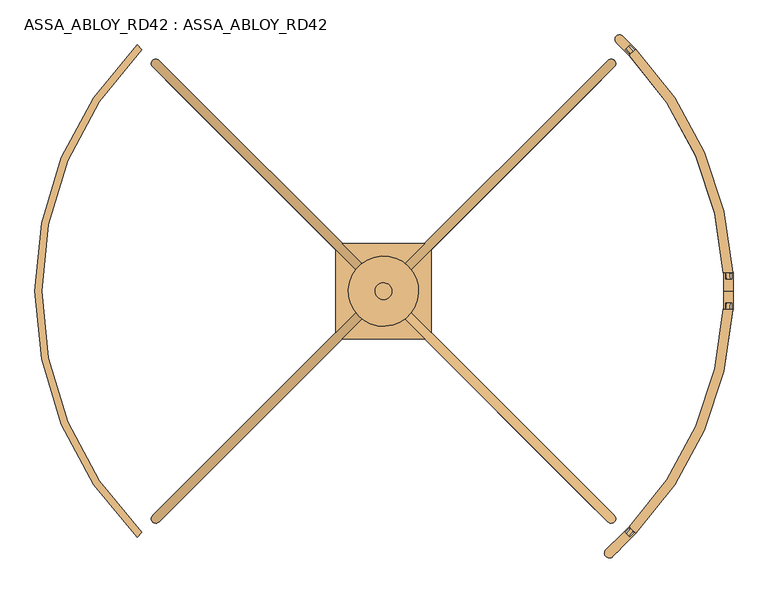
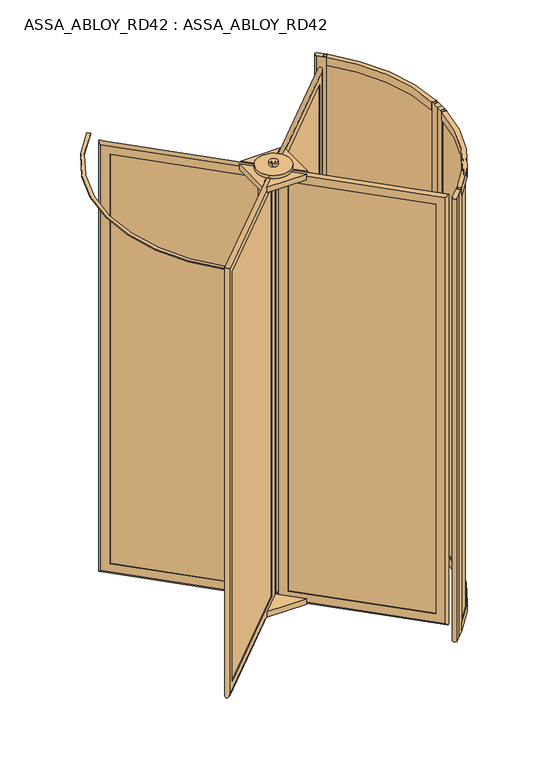
"""IFC4 building model written with IfcOpenShell, lengths in millimetres: door geometry, ASSA_ABLOY_RD42 : ASSA_ABLOY_RD42."""

from ifc_helpers import new_model, si_unit, point, frame, frame_2d, origin, origin_with_axes, place, context, project, spatial, polyline, circle_curve, ellipse_curve, trimmed, segment, composite_curve, outline, extrude, source, transform, mapped, element, save
from ifc_brep_helpers import plane_surface, cylinder_surface, revolved_surface, advanced_brep


def assa_abloy_rd42_assa_abloy_rd42_f73ff446(model_context):
    return source(origin(), model_context, "Body", "SolidModel", [
        advanced_brep(
        [(730.2834047, -619.4255403, 105.0), (728.1620844, -621.5468607, 105.0), (728.1620844, -621.5468607, 2673.0), (730.2834047, -619.4255403, 2673.0), (758.5676759, -619.4255403, 85.0), (744.4255403, -633.5676759, 85.0), (744.4255403, -633.5676759, 2693.0), (758.5676759, -619.4255403, 2693.0), (746.5468607, -603.1620844, 105.0), (744.4255403, -605.2834047, 105.0), (744.4255403, -605.2834047, 2673.0), (746.5468607, -603.1620844, 2673.0), (764.931637, -658.3164133, 53.0), (783.3164133, -639.931637, 53.0), (783.3164133, -639.931637, 2725.0), (764.931637, -658.3164133, 2725.0), (173.0832611, -66.4680374, 2673.0), (175.2045815, -64.3467171, 2673.0), (161.0624458, -50.2045815, 2693.0), (175.2045815, -36.0624458, 2693.0), (189.3467171, -50.2045815, 2673.0), (191.4680374, -48.0832611, 2673.0), (154.6984848, -11.3137085, 2725.0), (136.3137085, -29.6984848, 2725.0), (173.0832611, -66.4680374, 105.0), (175.2045815, -64.3467171, 105.0), (161.0624458, -50.2045815, 85.0), (175.2045815, -36.0624458, 85.0), (189.3467171, -50.2045815, 105.0), (191.4680374, -48.0832611, 105.0), (154.6984848, -11.3137085, 53.0), (136.3137085, -29.6984848, 53.0)],
        [
            (0, 1),
            (1, 2),
            (2, 3),
            (3, 0),
            (4, 5),
            (5, 6),
            (6, 7),
            (7, 4),
            (8, 9),
            (9, 10),
            (10, 11),
            (11, 8),
            (12, 13, ellipse_curve(frame((774.1240251, -649.1240251, 53.0), z_axis=(0.4999999999999917, -0.5000000000000084, 0.7071067811865475), x_axis=(0.5000000000000054, -0.4999999999999945, -0.7071067811865476)), 18.3847763, 13.0)),
            (13, 14),
            (14, 15, ellipse_curve(frame((774.1240251, -649.1240251, 2725.0), z_axis=(0.5000000000000054, -0.49999999999999456, -0.7071067811865475), x_axis=(-0.4999999999999915, 0.5000000000000083, -0.7071067811865476)), 18.3847763, 13.0)),
            (15, 12),
            (2, 16),
            (16, 17),
            (17, 3),
            (6, 18),
            (18, 19),
            (19, 7),
            (10, 20),
            (20, 21),
            (21, 11),
            (14, 22),
            (22, 23, ellipse_curve(frame((145.5060967, -20.5060967, 2725.0), z_axis=(0.4999999999999917, -0.5000000000000084, 0.7071067811865475), x_axis=(0.5000000000000054, -0.4999999999999945, -0.7071067811865476)), 18.3847763, 13.0)),
            (23, 15),
            (16, 24),
            (24, 25),
            (25, 17),
            (18, 26),
            (26, 27),
            (27, 19),
            (20, 28),
            (28, 29),
            (29, 21),
            (22, 30),
            (30, 31, ellipse_curve(frame((145.5060967, -20.5060967, 53.0), z_axis=(-0.5000000000000054, 0.49999999999999456, 0.7071067811865475), x_axis=(0.4999999999999915, -0.5000000000000083, 0.7071067811865476)), 18.3847763, 13.0)),
            (31, 23),
            (24, 1),
            (0, 25),
            (5, 26),
            (4, 27),
            (9, 28),
            (8, 29),
            (13, 30),
            (12, 31),
        ],
        [
            plane_surface(frame((728.1620844, -621.5468607, 105.0), z_axis=(-0.7071067811865437, 0.7071067811865513, 0.0), x_axis=(0.0, 0.0, 1.0))),
            plane_surface(frame((744.4255403, -633.5676759, 85.0), z_axis=(-0.7071067811865452, 0.7071067811865498, 0.0), x_axis=(0.0, 0.0, 1.0))),
            plane_surface(frame((744.4255403, -605.2834047, 105.0), z_axis=(-0.7071067811865437, 0.7071067811865513, 0.0), x_axis=(0.0, 0.0, 1.0))),
            cylinder_surface(frame((774.1240251, -649.1240251, 40.0), z_axis=(0.0, 0.0, -1.0), x_axis=(-0.7071067811865456, 0.7071067811865497, 0.0)), 13.0),
            plane_surface(frame((728.1620844, -621.5468607, 2673.0), z_axis=(0.0, 0.0, -1.0), x_axis=(-0.7071067811865455, 0.7071067811865496, 0.0))),
            plane_surface(frame((744.4255403, -633.5676759, 2693.0), z_axis=(0.0, 0.0, -1.0), x_axis=(-0.7071067811865455, 0.7071067811865496, 0.0))),
            plane_surface(frame((744.4255403, -605.2834047, 2673.0), z_axis=(0.0, 0.0, -1.0), x_axis=(-0.7071067811865455, 0.7071067811865496, 0.0))),
            cylinder_surface(frame((783.3164133, -658.3164133, 2725.0), z_axis=(0.7071067811865456, -0.7071067811865497, 0.0), x_axis=(0.0, 0.0, -1.0)), 13.0),
            plane_surface(frame((173.0832611, -66.4680374, 2673.0), z_axis=(0.7071067811865472, -0.7071067811865478, 0.0), x_axis=(0.0, 0.0, -1.0))),
            plane_surface(frame((161.0624458, -50.2045815, 2693.0), z_axis=(0.7071067811865457, -0.7071067811865493, 0.0), x_axis=(0.0, 0.0, -1.0))),
            plane_surface(frame((189.3467171, -50.2045815, 2673.0), z_axis=(0.7071067811865472, -0.7071067811865478, 0.0), x_axis=(0.0, 0.0, -1.0))),
            cylinder_surface(frame((145.5060967, -20.5060967, 2738.0), z_axis=(0.0, 0.0, 1.0), x_axis=(0.7071067811865456, -0.7071067811865497, 0.0)), 13.0),
            plane_surface(frame((173.0832611, -66.4680374, 105.0), z_axis=(0.0, 0.0, 1.0), x_axis=(0.7071067811865455, -0.7071067811865496, 0.0))),
            plane_surface(frame((175.2045815, -64.3467171, 105.0), z_axis=(0.7071067811865496, 0.7071067811865455, 0.0), x_axis=(0.7071067811865455, -0.7071067811865496, 0.0))),
            plane_surface(frame((161.0624458, -50.2045815, 85.0), z_axis=(0.0, 0.0, 1.0), x_axis=(0.7071067811865455, -0.7071067811865496, 0.0))),
            plane_surface(frame((175.2045815, -36.0624458, 85.0), z_axis=(-0.7071067811865496, -0.7071067811865455, 0.0), x_axis=(0.7071067811865455, -0.7071067811865496, 0.0))),
            plane_surface(frame((189.3467171, -50.2045815, 105.0), z_axis=(0.0, 0.0, 1.0), x_axis=(0.7071067811865455, -0.7071067811865496, 0.0))),
            plane_surface(frame((191.4680374, -48.0832611, 105.0), z_axis=(0.7071067811865496, 0.7071067811865455, 0.0), x_axis=(0.7071067811865455, -0.7071067811865496, 0.0))),
            cylinder_surface(frame((136.3137085, -11.3137085, 53.0), z_axis=(-0.7071067811865456, 0.7071067811865497, 0.0), x_axis=(0.0, 0.0, 1.0)), 13.0),
            plane_surface(frame((136.3137085, -29.6984848, 53.0), z_axis=(-0.7071067811865496, -0.7071067811865455, 0.0), x_axis=(0.7071067811865455, -0.7071067811865496, 0.0))),
        ],
        [
            (0, [[1, 2, 3, 4]]),
            (1, [[5, 6, 7, 8]]),
            (2, [[9, 10, 11, 12]]),
            (3, [[13, 14, 15, 16]]),
            (4, [[-3, 17, 18, 19]]),
            (5, [[-7, 20, 21, 22]]),
            (6, [[-11, 23, 24, 25]]),
            (7, [[-15, 26, 27, 28]]),
            (8, [[-18, 29, 30, 31]]),
            (9, [[-21, 32, 33, 34]]),
            (10, [[-24, 35, 36, 37]]),
            (11, [[-27, 38, 39, 40]]),
            (12, [[-30, 41, -1, 42]]),
            (13, [[43, -32, -20, -6], [-19, -31, -42, -4]]),
            (14, [[-33, -43, -5, 44]]),
            (15, [[-22, -34, -44, -8], [45, -35, -23, -10]]),
            (16, [[-36, -45, -9, 46]]),
            (17, [[47, -38, -26, -14], [-25, -37, -46, -12]]),
            (18, [[-39, -47, -13, 48]]),
            (19, [[-28, -40, -48, -16], [-41, -29, -17, -2]]),
        ],
    ),
        extrude(outline(polyline([(755.032142, -622.9610742), (747.9610742, -630.032142), (164.5979797, -46.6690476), (171.6690476, -39.5979797), (755.032142, -622.9610742)])), frame((0.0, 0.0, 85.0), z_axis=(0.0, 0.0, 1.0), x_axis=(1.0, 0.0, 0.0)), (0.0, 0.0, 1.0), 2608.0),
        advanced_brep(
        [(-494.4255403, -605.2834047, 105.0), (-496.5468607, -603.1620844, 105.0), (-496.5468607, -603.1620844, 2673.0), (-494.4255403, -605.2834047, 2673.0), (-494.4255403, -633.5676759, 85.0), (-508.5676759, -619.4255403, 85.0), (-508.5676759, -619.4255403, 2693.0), (-494.4255403, -633.5676759, 2693.0), (-478.1620844, -621.5468607, 105.0), (-480.2834047, -619.4255403, 105.0), (-480.2834047, -619.4255403, 2673.0), (-478.1620844, -621.5468607, 2673.0), (-533.3164133, -639.931637, 53.0), (-514.931637, -658.3164133, 53.0), (-514.931637, -658.3164133, 2725.0), (-533.3164133, -639.931637, 2725.0), (58.5319626, -48.0832611, 2673.0), (60.6532829, -50.2045815, 2673.0), (74.7954185, -36.0624458, 2693.0), (88.9375542, -50.2045815, 2693.0), (74.7954185, -64.3467171, 2673.0), (76.9167389, -66.4680374, 2673.0), (113.6862915, -29.6984848, 2725.0), (95.3015152, -11.3137085, 2725.0), (58.5319626, -48.0832611, 105.0), (60.6532829, -50.2045815, 105.0), (74.7954185, -36.0624458, 85.0), (88.9375542, -50.2045815, 85.0), (74.7954185, -64.3467171, 105.0), (76.9167389, -66.4680374, 105.0), (113.6862915, -29.6984848, 53.0), (95.3015152, -11.3137085, 53.0)],
        [
            (0, 1),
            (1, 2),
            (2, 3),
            (3, 0),
            (4, 5),
            (5, 6),
            (6, 7),
            (7, 4),
            (8, 9),
            (9, 10),
            (10, 11),
            (11, 8),
            (12, 13, ellipse_curve(frame((-524.1240251, -649.1240251, 53.0), z_axis=(-0.5000000000000089, -0.49999999999999106, 0.7071067811865475), x_axis=(-0.49999999999999495, -0.5000000000000048, -0.7071067811865476)), 18.3847763, 13.0)),
            (13, 14),
            (14, 15, ellipse_curve(frame((-524.1240251, -649.1240251, 2725.0), z_axis=(-0.49999999999999506, -0.5000000000000049, -0.7071067811865475), x_axis=(0.5000000000000088, 0.49999999999999095, -0.7071067811865476)), 18.3847763, 13.0)),
            (15, 12),
            (2, 16),
            (16, 17),
            (17, 3),
            (6, 18),
            (18, 19),
            (19, 7),
            (10, 20),
            (20, 21),
            (21, 11),
            (14, 22),
            (22, 23, ellipse_curve(frame((104.4939033, -20.5060967, 2725.0), z_axis=(-0.5000000000000089, -0.49999999999999106, 0.7071067811865475), x_axis=(-0.4999999999999951, -0.5000000000000049, -0.7071067811865474)), 18.3847763, 13.0)),
            (23, 15),
            (16, 24),
            (24, 25),
            (25, 17),
            (18, 26),
            (26, 27),
            (27, 19),
            (20, 28),
            (28, 29),
            (29, 21),
            (22, 30),
            (30, 31, ellipse_curve(frame((104.4939033, -20.5060967, 53.0), z_axis=(0.49999999999999506, 0.5000000000000049, 0.7071067811865475), x_axis=(-0.5000000000000088, -0.49999999999999095, 0.7071067811865476)), 18.3847763, 13.0)),
            (31, 23),
            (24, 1),
            (0, 25),
            (5, 26),
            (4, 27),
            (9, 28),
            (8, 29),
            (13, 30),
            (12, 31),
        ],
        [
            plane_surface(frame((-496.5468607, -603.1620844, 105.0), z_axis=(0.7071067811865521, 0.7071067811865429, 0.0), x_axis=(0.0, 0.0, 1.0))),
            plane_surface(frame((-508.5676759, -619.4255403, 85.0), z_axis=(0.7071067811865506, 0.7071067811865445, 0.0), x_axis=(0.0, 0.0, 1.0))),
            plane_surface(frame((-480.2834047, -619.4255403, 105.0), z_axis=(0.7071067811865521, 0.7071067811865429, 0.0), x_axis=(0.0, 0.0, 1.0))),
            cylinder_surface(frame((-524.1240251, -649.1240251, 40.0), z_axis=(0.0, 0.0, -1.0), x_axis=(0.7071067811865503, 0.7071067811865447, 0.0)), 13.0),
            plane_surface(frame((-496.5468607, -603.1620844, 2673.0), z_axis=(0.0, 0.0, -1.0), x_axis=(0.7071067811865503, 0.7071067811865447, 0.0))),
            plane_surface(frame((-508.5676759, -619.4255403, 2693.0), z_axis=(0.0, 0.0, -1.0), x_axis=(0.7071067811865503, 0.7071067811865447, 0.0))),
            plane_surface(frame((-480.2834047, -619.4255403, 2673.0), z_axis=(0.0, 0.0, -1.0), x_axis=(0.7071067811865503, 0.7071067811865447, 0.0))),
            cylinder_surface(frame((-533.3164133, -658.3164133, 2725.0), z_axis=(-0.7071067811865503, -0.7071067811865447, 0.0), x_axis=(0.0, 0.0, -1.0)), 13.0),
            plane_surface(frame((58.5319626, -48.0832611, 2673.0), z_axis=(-0.7071067811865486, -0.7071067811865465, 0.0), x_axis=(0.0, 0.0, -1.0))),
            plane_surface(frame((74.7954185, -36.0624458, 2693.0), z_axis=(-0.7071067811865501, -0.7071067811865449, 0.0), x_axis=(0.0, 0.0, -1.0))),
            plane_surface(frame((74.7954185, -64.3467171, 2673.0), z_axis=(-0.7071067811865486, -0.7071067811865465, 0.0), x_axis=(0.0, 0.0, -1.0))),
            cylinder_surface(frame((104.4939033, -20.5060967, 2738.0), z_axis=(0.0, 0.0, 1.0), x_axis=(-0.7071067811865503, -0.7071067811865447, 0.0)), 13.0),
            plane_surface(frame((58.5319626, -48.0832611, 105.0), z_axis=(0.0, 0.0, 1.0), x_axis=(-0.7071067811865503, -0.7071067811865447, 0.0))),
            plane_surface(frame((60.6532829, -50.2045815, 105.0), z_axis=(0.7071067811865447, -0.7071067811865503, 0.0), x_axis=(-0.7071067811865503, -0.7071067811865447, 0.0))),
            plane_surface(frame((74.7954185, -36.0624458, 85.0), z_axis=(0.0, 0.0, 1.0), x_axis=(-0.7071067811865503, -0.7071067811865447, 0.0))),
            plane_surface(frame((88.9375542, -50.2045815, 85.0), z_axis=(-0.7071067811865447, 0.7071067811865503, 0.0), x_axis=(-0.7071067811865503, -0.7071067811865447, 0.0))),
            plane_surface(frame((74.7954185, -64.3467171, 105.0), z_axis=(0.0, 0.0, 1.0), x_axis=(-0.7071067811865503, -0.7071067811865447, 0.0))),
            plane_surface(frame((76.9167389, -66.4680374, 105.0), z_axis=(0.7071067811865447, -0.7071067811865503, 0.0), x_axis=(-0.7071067811865503, -0.7071067811865447, 0.0))),
            cylinder_surface(frame((113.6862915, -11.3137085, 53.0), z_axis=(0.7071067811865503, 0.7071067811865447, 0.0), x_axis=(0.0, 0.0, 1.0)), 13.0),
            plane_surface(frame((95.3015152, -11.3137085, 53.0), z_axis=(-0.7071067811865447, 0.7071067811865503, 0.0), x_axis=(-0.7071067811865503, -0.7071067811865447, 0.0))),
        ],
        [
            (0, [[1, 2, 3, 4]]),
            (1, [[5, 6, 7, 8]]),
            (2, [[9, 10, 11, 12]]),
            (3, [[13, 14, 15, 16]]),
            (4, [[-3, 17, 18, 19]]),
            (5, [[-7, 20, 21, 22]]),
            (6, [[-11, 23, 24, 25]]),
            (7, [[-15, 26, 27, 28]]),
            (8, [[-18, 29, 30, 31]]),
            (9, [[-21, 32, 33, 34]]),
            (10, [[-24, 35, 36, 37]]),
            (11, [[-27, 38, 39, 40]]),
            (12, [[-30, 41, -1, 42]]),
            (13, [[43, -32, -20, -6], [-19, -31, -42, -4]]),
            (14, [[-33, -43, -5, 44]]),
            (15, [[-22, -34, -44, -8], [45, -35, -23, -10]]),
            (16, [[-36, -45, -9, 46]]),
            (17, [[47, -38, -26, -14], [-25, -37, -46, -12]]),
            (18, [[-39, -47, -13, 48]]),
            (19, [[-28, -40, -48, -16], [-41, -29, -17, -2]]),
        ],
    ),
        extrude(outline(polyline([(-497.9610742, -630.032142), (-505.032142, -622.9610742), (78.3309524, -39.5979797), (85.4020203, -46.6690476), (-497.9610742, -630.032142)])), frame((0.0, 0.0, 85.0), z_axis=(0.0, 0.0, 1.0), x_axis=(1.0, 0.0, 0.0)), (0.0, 0.0, 1.0), 2608.0),
        advanced_brep(
        [(-480.2834047, 619.4255403, 105.0), (-478.1620844, 621.5468607, 105.0), (-478.1620844, 621.5468607, 2673.0), (-480.2834047, 619.4255403, 2673.0), (-508.5676759, 619.4255403, 85.0), (-494.4255403, 633.5676759, 85.0), (-494.4255403, 633.5676759, 2693.0), (-508.5676759, 619.4255403, 2693.0), (-496.5468607, 603.1620844, 105.0), (-494.4255403, 605.2834047, 105.0), (-494.4255403, 605.2834047, 2673.0), (-496.5468607, 603.1620844, 2673.0), (-514.931637, 658.3164133, 53.0), (-533.3164133, 639.931637, 53.0), (-533.3164133, 639.931637, 2725.0), (-514.931637, 658.3164133, 2725.0), (76.9167389, 66.4680374, 2673.0), (74.7954185, 64.3467171, 2673.0), (88.9375542, 50.2045815, 2693.0), (74.7954185, 36.0624458, 2693.0), (60.6532829, 50.2045815, 2673.0), (58.5319626, 48.0832611, 2673.0), (95.3015152, 11.3137085, 2725.0), (113.6862915, 29.6984848, 2725.0), (76.9167389, 66.4680374, 105.0), (74.7954185, 64.3467171, 105.0), (88.9375542, 50.2045815, 85.0), (74.7954185, 36.0624458, 85.0), (60.6532829, 50.2045815, 105.0), (58.5319626, 48.0832611, 105.0), (95.3015152, 11.3137085, 53.0), (113.6862915, 29.6984848, 53.0)],
        [
            (0, 1),
            (1, 2),
            (2, 3),
            (3, 0),
            (4, 5),
            (5, 6),
            (6, 7),
            (7, 4),
            (8, 9),
            (9, 10),
            (10, 11),
            (11, 8),
            (12, 13, ellipse_curve(frame((-524.1240251, 649.1240251, 53.0), z_axis=(-0.4999999999999913, 0.5000000000000087, 0.7071067811865475), x_axis=(-0.500000000000005, 0.4999999999999947, -0.7071067811865476)), 18.3847763, 13.0)),
            (13, 14),
            (14, 15, ellipse_curve(frame((-524.1240251, 649.1240251, 2725.0), z_axis=(-0.5000000000000051, 0.4999999999999948, -0.7071067811865475), x_axis=(0.4999999999999912, -0.5000000000000085, -0.7071067811865476)), 18.3847763, 13.0)),
            (15, 12),
            (2, 16),
            (16, 17),
            (17, 3),
            (6, 18),
            (18, 19),
            (19, 7),
            (10, 20),
            (20, 21),
            (21, 11),
            (14, 22),
            (22, 23, ellipse_curve(frame((104.4939033, 20.5060967, 2725.0), z_axis=(-0.4999999999999913, 0.5000000000000087, 0.7071067811865475), x_axis=(-0.5000000000000052, 0.49999999999999495, -0.7071067811865475)), 18.3847763, 13.0)),
            (23, 15),
            (16, 24),
            (24, 25),
            (25, 17),
            (18, 26),
            (26, 27),
            (27, 19),
            (20, 28),
            (28, 29),
            (29, 21),
            (22, 30),
            (30, 31, ellipse_curve(frame((104.4939033, 20.5060967, 53.0), z_axis=(0.5000000000000051, -0.4999999999999948, 0.7071067811865475), x_axis=(-0.4999999999999912, 0.5000000000000085, 0.7071067811865476)), 18.3847763, 13.0)),
            (31, 23),
            (24, 1),
            (0, 25),
            (5, 26),
            (4, 27),
            (9, 28),
            (8, 29),
            (13, 30),
            (12, 31),
        ],
        [
            plane_surface(frame((-478.1620844, 621.5468607, 105.0), z_axis=(0.7071067811865432, -0.7071067811865518, 0.0), x_axis=(0.0, 0.0, 1.0))),
            plane_surface(frame((-494.4255403, 633.5676759, 85.0), z_axis=(0.7071067811865448, -0.7071067811865502, 0.0), x_axis=(0.0, 0.0, 1.0))),
            plane_surface(frame((-494.4255403, 605.2834047, 105.0), z_axis=(0.7071067811865432, -0.7071067811865518, 0.0), x_axis=(0.0, 0.0, 1.0))),
            cylinder_surface(frame((-524.1240251, 649.1240251, 40.0), z_axis=(0.0, 0.0, -1.0), x_axis=(0.707106781186545, -0.70710678118655, 0.0)), 13.0),
            plane_surface(frame((-478.1620844, 621.5468607, 2673.0), z_axis=(0.0, 0.0, -1.0), x_axis=(0.707106781186545, -0.70710678118655, 0.0))),
            plane_surface(frame((-494.4255403, 633.5676759, 2693.0), z_axis=(0.0, 0.0, -1.0), x_axis=(0.707106781186545, -0.70710678118655, 0.0))),
            plane_surface(frame((-494.4255403, 605.2834047, 2673.0), z_axis=(0.0, 0.0, -1.0), x_axis=(0.707106781186545, -0.70710678118655, 0.0))),
            cylinder_surface(frame((-533.3164133, 658.3164133, 2725.0), z_axis=(-0.707106781186545, 0.70710678118655, 0.0), x_axis=(0.0, 0.0, -1.0)), 13.0),
            plane_surface(frame((76.9167389, 66.4680374, 2673.0), z_axis=(-0.7071067811865468, 0.7071067811865482, 0.0), x_axis=(0.0, 0.0, -1.0))),
            plane_surface(frame((88.9375542, 50.2045815, 2693.0), z_axis=(-0.7071067811865452, 0.7071067811865498, 0.0), x_axis=(0.0, 0.0, -1.0))),
            plane_surface(frame((60.6532829, 50.2045815, 2673.0), z_axis=(-0.7071067811865468, 0.7071067811865482, 0.0), x_axis=(0.0, 0.0, -1.0))),
            cylinder_surface(frame((104.4939033, 20.5060967, 2738.0), z_axis=(0.0, 0.0, 1.0), x_axis=(-0.707106781186545, 0.70710678118655, 0.0)), 13.0),
            plane_surface(frame((76.9167389, 66.4680374, 105.0), z_axis=(0.0, 0.0, 1.0), x_axis=(-0.707106781186545, 0.70710678118655, 0.0))),
            plane_surface(frame((74.7954185, 64.3467171, 105.0), z_axis=(-0.70710678118655, -0.707106781186545, 0.0), x_axis=(-0.707106781186545, 0.70710678118655, 0.0))),
            plane_surface(frame((88.9375542, 50.2045815, 85.0), z_axis=(0.0, 0.0, 1.0), x_axis=(-0.707106781186545, 0.70710678118655, 0.0))),
            plane_surface(frame((74.7954185, 36.0624458, 85.0), z_axis=(0.70710678118655, 0.707106781186545, 0.0), x_axis=(-0.707106781186545, 0.70710678118655, 0.0))),
            plane_surface(frame((60.6532829, 50.2045815, 105.0), z_axis=(0.0, 0.0, 1.0), x_axis=(-0.707106781186545, 0.70710678118655, 0.0))),
            plane_surface(frame((58.5319626, 48.0832611, 105.0), z_axis=(-0.70710678118655, -0.707106781186545, 0.0), x_axis=(-0.707106781186545, 0.70710678118655, 0.0))),
            cylinder_surface(frame((113.6862915, 11.3137085, 53.0), z_axis=(0.707106781186545, -0.70710678118655, 0.0), x_axis=(0.0, 0.0, 1.0)), 13.0),
            plane_surface(frame((113.6862915, 29.6984848, 53.0), z_axis=(0.70710678118655, 0.707106781186545, 0.0), x_axis=(-0.707106781186545, 0.70710678118655, 0.0))),
        ],
        [
            (0, [[1, 2, 3, 4]]),
            (1, [[5, 6, 7, 8]]),
            (2, [[9, 10, 11, 12]]),
            (3, [[13, 14, 15, 16]]),
            (4, [[-3, 17, 18, 19]]),
            (5, [[-7, 20, 21, 22]]),
            (6, [[-11, 23, 24, 25]]),
            (7, [[-15, 26, 27, 28]]),
            (8, [[-18, 29, 30, 31]]),
            (9, [[-21, 32, 33, 34]]),
            (10, [[-24, 35, 36, 37]]),
            (11, [[-27, 38, 39, 40]]),
            (12, [[-30, 41, -1, 42]]),
            (13, [[43, -32, -20, -6], [-19, -31, -42, -4]]),
            (14, [[-33, -43, -5, 44]]),
            (15, [[-22, -34, -44, -8], [45, -35, -23, -10]]),
            (16, [[-36, -45, -9, 46]]),
            (17, [[47, -38, -26, -14], [-25, -37, -46, -12]]),
            (18, [[-39, -47, -13, 48]]),
            (19, [[-28, -40, -48, -16], [-41, -29, -17, -2]]),
        ],
    ),
        extrude(outline(polyline([(-505.032142, 622.9610742), (-497.9610742, 630.032142), (85.4020203, 46.6690476), (78.3309524, 39.5979797), (-505.032142, 622.9610742)])), frame((0.0, 0.0, 85.0), z_axis=(0.0, 0.0, 1.0), x_axis=(1.0, 0.0, 0.0)), (0.0, 0.0, 1.0), 2608.0),
        advanced_brep(
        [(744.4255403, 605.2834047, 105.0), (746.5468607, 603.1620844, 105.0), (746.5468607, 603.1620844, 2673.0), (744.4255403, 605.2834047, 2673.0), (744.4255403, 633.5676759, 85.0), (758.5676759, 619.4255403, 85.0), (758.5676759, 619.4255403, 2693.0), (744.4255403, 633.5676759, 2693.0), (728.1620844, 621.5468607, 105.0), (730.2834047, 619.4255403, 105.0), (730.2834047, 619.4255403, 2673.0), (728.1620844, 621.5468607, 2673.0), (783.3164133, 639.931637, 53.0), (764.931637, 658.3164133, 53.0), (764.931637, 658.3164133, 2725.0), (783.3164133, 639.931637, 2725.0), (191.4680374, 48.0832611, 2673.0), (189.3467171, 50.2045815, 2673.0), (175.2045815, 36.0624458, 2693.0), (161.0624458, 50.2045815, 2693.0), (175.2045815, 64.3467171, 2673.0), (173.0832611, 66.4680374, 2673.0), (136.3137085, 29.6984848, 2725.0), (154.6984848, 11.3137085, 2725.0), (191.4680374, 48.0832611, 105.0), (189.3467171, 50.2045815, 105.0), (175.2045815, 36.0624458, 85.0), (161.0624458, 50.2045815, 85.0), (175.2045815, 64.3467171, 105.0), (173.0832611, 66.4680374, 105.0), (136.3137085, 29.6984848, 53.0), (154.6984848, 11.3137085, 53.0)],
        [
            (0, 1),
            (1, 2),
            (2, 3),
            (3, 0),
            (4, 5),
            (5, 6),
            (6, 7),
            (7, 4),
            (8, 9),
            (9, 10),
            (10, 11),
            (11, 8),
            (12, 13, ellipse_curve(frame((774.1240251, 649.1240251, 53.0), z_axis=(0.5000000000000073, 0.4999999999999926, 0.7071067811865475), x_axis=(0.4999999999999934, 0.5000000000000063, -0.7071067811865476)), 18.3847763, 13.0)),
            (13, 14),
            (14, 15, ellipse_curve(frame((774.1240251, 649.1240251, 2725.0), z_axis=(0.49999999999999345, 0.5000000000000064, -0.7071067811865475), x_axis=(-0.5000000000000072, -0.4999999999999925, -0.7071067811865476)), 18.3847763, 13.0)),
            (15, 12),
            (2, 16),
            (16, 17),
            (17, 3),
            (6, 18),
            (18, 19),
            (19, 7),
            (10, 20),
            (20, 21),
            (21, 11),
            (14, 22),
            (22, 23, ellipse_curve(frame((145.5060967, 20.5060967, 2725.0), z_axis=(0.5000000000000073, 0.4999999999999926, 0.7071067811865475), x_axis=(0.4999999999999936, 0.5000000000000066, -0.7071067811865475)), 18.3847763, 13.0)),
            (23, 15),
            (16, 24),
            (24, 25),
            (25, 17),
            (18, 26),
            (26, 27),
            (27, 19),
            (20, 28),
            (28, 29),
            (29, 21),
            (22, 30),
            (30, 31, ellipse_curve(frame((145.5060967, 20.5060967, 53.0), z_axis=(-0.49999999999999345, -0.5000000000000064, 0.7071067811865475), x_axis=(0.5000000000000072, 0.4999999999999925, 0.7071067811865476)), 18.3847763, 13.0)),
            (31, 23),
            (24, 1),
            (0, 25),
            (5, 26),
            (4, 27),
            (9, 28),
            (8, 29),
            (13, 30),
            (12, 31),
        ],
        [
            plane_surface(frame((746.5468607, 603.1620844, 105.0), z_axis=(-0.7071067811865499, -0.7071067811865451, 0.0), x_axis=(0.0, 0.0, 1.0))),
            plane_surface(frame((758.5676759, 619.4255403, 85.0), z_axis=(-0.7071067811865483, -0.7071067811865467, 0.0), x_axis=(0.0, 0.0, 1.0))),
            plane_surface(frame((730.2834047, 619.4255403, 105.0), z_axis=(-0.7071067811865499, -0.7071067811865451, 0.0), x_axis=(0.0, 0.0, 1.0))),
            cylinder_surface(frame((774.1240251, 649.1240251, 40.0), z_axis=(0.0, 0.0, -1.0), x_axis=(-0.7071067811865481, -0.7071067811865469, 0.0)), 13.0),
            plane_surface(frame((746.5468607, 603.1620844, 2673.0), z_axis=(0.0, 0.0, -1.0), x_axis=(-0.7071067811865481, -0.7071067811865469, 0.0))),
            plane_surface(frame((758.5676759, 619.4255403, 2693.0), z_axis=(0.0, 0.0, -1.0), x_axis=(-0.7071067811865481, -0.7071067811865469, 0.0))),
            plane_surface(frame((730.2834047, 619.4255403, 2673.0), z_axis=(0.0, 0.0, -1.0), x_axis=(-0.7071067811865481, -0.7071067811865469, 0.0))),
            cylinder_surface(frame((783.3164133, 658.3164133, 2725.0), z_axis=(0.7071067811865481, 0.7071067811865469, 0.0), x_axis=(0.0, 0.0, -1.0)), 13.0),
            plane_surface(frame((191.4680374, 48.0832611, 2673.0), z_axis=(0.7071067811865464, 0.7071067811865487, 0.0), x_axis=(0.0, 0.0, -1.0))),
            plane_surface(frame((175.2045815, 36.0624458, 2693.0), z_axis=(0.7071067811865479, 0.7071067811865471, 0.0), x_axis=(0.0, 0.0, -1.0))),
            plane_surface(frame((175.2045815, 64.3467171, 2673.0), z_axis=(0.7071067811865464, 0.7071067811865487, 0.0), x_axis=(0.0, 0.0, -1.0))),
            cylinder_surface(frame((145.5060967, 20.5060967, 2738.0), z_axis=(0.0, 0.0, 1.0), x_axis=(0.7071067811865481, 0.7071067811865469, 0.0)), 13.0),
            plane_surface(frame((191.4680374, 48.0832611, 105.0), z_axis=(0.0, 0.0, 1.0), x_axis=(0.7071067811865481, 0.7071067811865469, 0.0))),
            plane_surface(frame((189.3467171, 50.2045815, 105.0), z_axis=(-0.7071067811865469, 0.7071067811865481, 0.0), x_axis=(0.7071067811865481, 0.7071067811865469, 0.0))),
            plane_surface(frame((175.2045815, 36.0624458, 85.0), z_axis=(0.0, 0.0, 1.0), x_axis=(0.7071067811865481, 0.7071067811865469, 0.0))),
            plane_surface(frame((161.0624458, 50.2045815, 85.0), z_axis=(0.7071067811865469, -0.7071067811865481, 0.0), x_axis=(0.7071067811865481, 0.7071067811865469, 0.0))),
            plane_surface(frame((175.2045815, 64.3467171, 105.0), z_axis=(0.0, 0.0, 1.0), x_axis=(0.7071067811865481, 0.7071067811865469, 0.0))),
            plane_surface(frame((173.0832611, 66.4680374, 105.0), z_axis=(-0.7071067811865469, 0.7071067811865481, 0.0), x_axis=(0.7071067811865481, 0.7071067811865469, 0.0))),
            cylinder_surface(frame((136.3137085, 11.3137085, 53.0), z_axis=(-0.7071067811865481, -0.7071067811865469, 0.0), x_axis=(0.0, 0.0, 1.0)), 13.0),
            plane_surface(frame((154.6984848, 11.3137085, 53.0), z_axis=(0.7071067811865469, -0.7071067811865481, 0.0), x_axis=(0.7071067811865481, 0.7071067811865469, 0.0))),
        ],
        [
            (0, [[1, 2, 3, 4]]),
            (1, [[5, 6, 7, 8]]),
            (2, [[9, 10, 11, 12]]),
            (3, [[13, 14, 15, 16]]),
            (4, [[-3, 17, 18, 19]]),
            (5, [[-7, 20, 21, 22]]),
            (6, [[-11, 23, 24, 25]]),
            (7, [[-15, 26, 27, 28]]),
            (8, [[-18, 29, 30, 31]]),
            (9, [[-21, 32, 33, 34]]),
            (10, [[-24, 35, 36, 37]]),
            (11, [[-27, 38, 39, 40]]),
            (12, [[-30, 41, -1, 42]]),
            (13, [[43, -32, -20, -6], [-19, -31, -42, -4]]),
            (14, [[-33, -43, -5, 44]]),
            (15, [[-22, -34, -44, -8], [45, -35, -23, -10]]),
            (16, [[-36, -45, -9, 46]]),
            (17, [[47, -38, -26, -14], [-25, -37, -46, -12]]),
            (18, [[-39, -47, -13, 48]]),
            (19, [[-28, -40, -48, -16], [-41, -29, -17, -2]]),
        ],
    ),
        extrude(outline(polyline([(747.9610742, 630.032142), (755.032142, 622.9610742), (171.6690476, 39.5979797), (164.5979797, 46.6690476), (747.9610742, 630.032142)])), frame((0.0, 0.0, 85.0), z_axis=(0.0, 0.0, 1.0), x_axis=(1.0, 0.0, 0.0)), (0.0, 0.0, 1.0), 2608.0),
        extrude(outline(composite_curve([segment(trimmed(circle_curve(frame_2d((125.0, 0.0)), 24.0), [point((108.0294373, -16.9705627))], [point((141.9705627, 16.9705627))], False, "CARTESIAN"), True, "CONTINUOUS"), segment(trimmed(circle_curve(frame_2d((125.0, 0.0)), 24.0), [point((141.9705627, 16.9705627))], [point((108.0294373, -16.9705627))], False, "CARTESIAN"), True, "CONTINUOUS")], self_intersect=False)), origin_with_axes(), (0.0, 0.0, 1.0), 20.0),
        extrude(outline(composite_curve([segment(trimmed(circle_curve(frame_2d((125.0, 0.0)), 100.0), [point((54.2893219, -70.7106781))], [point((195.7106781, 70.7106781))], False, "CARTESIAN"), True, "CONTINUOUS"), segment(trimmed(circle_curve(frame_2d((125.0, 0.0)), 100.0), [point((195.7106781, 70.7106781))], [point((54.2893219, -70.7106781))], False, "CARTESIAN"), True, "CONTINUOUS")], self_intersect=False)), frame((0.0, 0.0, 20.0), z_axis=(0.0, 0.0, 1.0), x_axis=(1.0, 0.0, 0.0)), (0.0, 0.0, 1.0), 20.0),
        extrude(outline(composite_curve([segment(trimmed(circle_curve(frame_2d((125.0, 0.0)), 24.0), [point((141.9705627, 16.9705627))], [point((108.0294373, -16.9705627))], False, "CARTESIAN"), True, "CONTINUOUS"), segment(trimmed(circle_curve(frame_2d((125.0, 0.0)), 24.0), [point((108.0294373, -16.9705627))], [point((141.9705627, 16.9705627))], False, "CARTESIAN"), True, "CONTINUOUS")], self_intersect=False)), frame((0.0, 0.0, 2758.0), z_axis=(0.0, 0.0, 1.0), x_axis=(1.0, 0.0, 0.0)), (0.0, 0.0, 1.0), 20.0),
        extrude(outline(composite_curve([segment(trimmed(circle_curve(frame_2d((125.0, 0.0)), 100.0), [point((195.7106781, 70.7106781))], [point((54.2893219, -70.7106781))], False, "CARTESIAN"), True, "CONTINUOUS"), segment(trimmed(circle_curve(frame_2d((125.0, 0.0)), 100.0), [point((54.2893219, -70.7106781))], [point((195.7106781, 70.7106781))], False, "CARTESIAN"), True, "CONTINUOUS")], self_intersect=False)), frame((0.0, 0.0, 2738.0), z_axis=(0.0, 0.0, 1.0), x_axis=(1.0, 0.0, 0.0)), (0.0, 0.0, 1.0), 20.0),
        extrude(outline(composite_curve([segment(trimmed(circle_curve(frame_2d((125.0, 0.0)), 12.5), [point((116.1611652, -8.8388348))], [point((133.8388348, 8.8388348))], False, "CARTESIAN"), True, "CONTINUOUS"), segment(trimmed(circle_curve(frame_2d((125.0, 0.0)), 12.5), [point((133.8388348, 8.8388348))], [point((116.1611652, -8.8388348))], False, "CARTESIAN"), True, "CONTINUOUS")], self_intersect=False)), origin_with_axes(), (0.0, 0.0, 1.0), 2778.0),
        extrude(outline(polyline([(-11.0, 117.6152237), (106.6152237, 0.0), (-11.0, -117.6152237), (-11.0, 117.6152237)])), frame((0.0, 0.0, 2703.0), z_axis=(0.0, 0.0, 1.0), x_axis=(1.0, 0.0, 0.0)), (0.0, 0.0, 1.0), 35.0),
        extrude(outline(polyline([(7.3847763, -136.0), (125.0, -18.3847763), (242.6152237, -136.0), (7.3847763, -136.0)])), frame((0.0, 0.0, 2703.0), z_axis=(0.0, 0.0, 1.0), x_axis=(1.0, 0.0, 0.0)), (0.0, 0.0, 1.0), 35.0),
        extrude(outline(polyline([(261.0, -117.6152237), (143.3847763, 0.0), (261.0, 117.6152237), (261.0, -117.6152237)])), frame((0.0, 0.0, 2703.0), z_axis=(0.0, 0.0, 1.0), x_axis=(1.0, 0.0, 0.0)), (0.0, 0.0, 1.0), 35.0),
        extrude(outline(polyline([(242.6152237, 136.0), (125.0, 18.3847763), (7.3847763, 136.0), (242.6152237, 136.0)])), frame((0.0, 0.0, 2703.0), z_axis=(0.0, 0.0, 1.0), x_axis=(1.0, 0.0, 0.0)), (0.0, 0.0, 1.0), 35.0),
        extrude(outline(polyline([(-11.0, 117.6152237), (106.6152237, 0.0), (-11.0, -117.6152237), (-11.0, 117.6152237)])), frame((0.0, 0.0, 40.0), z_axis=(0.0, 0.0, 1.0), x_axis=(1.0, 0.0, 0.0)), (0.0, 0.0, 1.0), 35.0),
        extrude(outline(polyline([(7.3847763, -136.0), (125.0, -18.3847763), (242.6152237, -136.0), (7.3847763, -136.0)])), frame((0.0, 0.0, 40.0), z_axis=(0.0, 0.0, 1.0), x_axis=(1.0, 0.0, 0.0)), (0.0, 0.0, 1.0), 35.0),
        extrude(outline(polyline([(261.0, -117.6152237), (143.3847763, 0.0), (261.0, 117.6152237), (261.0, -117.6152237)])), frame((0.0, 0.0, 40.0), z_axis=(0.0, 0.0, 1.0), x_axis=(1.0, 0.0, 0.0)), (0.0, 0.0, 1.0), 35.0),
        extrude(outline(polyline([(242.6152237, 136.0), (125.0, 18.3847763), (7.3847763, 136.0), (242.6152237, 136.0)])), frame((0.0, 0.0, 40.0), z_axis=(0.0, 0.0, 1.0), x_axis=(1.0, 0.0, 0.0)), (0.0, 0.0, 1.0), 35.0),
        extrude(outline(composite_curve([segment(trimmed(circle_curve(frame_2d((125.0, 0.0)), 974.0), [point((-563.7220049, 688.7220049))], [point((-563.7220049, -688.7220049))], True, "CARTESIAN"), True, "CONTINUOUS"), segment(polyline([(-563.7220049, -688.7220049), (-577.8641405, -702.8641405)]), True, "CONTINUOUS"), segment(trimmed(circle_curve(frame_2d((125.0, 0.0)), 994.0), [point((-577.8641405, -702.8641405))], [point((-577.8641405, 702.8641405))], False, "CARTESIAN"), True, "CONTINUOUS"), segment(polyline([(-577.8641405, 702.8641405), (-563.7220049, 688.7220049)]), True, "CONTINUOUS")], self_intersect=False)), frame((0.0, 0.0, 2773.0), z_axis=(0.0, 0.0, 1.0), x_axis=(1.0, 0.0, 0.0)), (0.0, 0.0, 1.0), 5.0),
        extrude(outline(composite_curve([segment(trimmed(circle_curve(frame_2d((125.0, 0.0)), 989.0), [point((824.3286066, 699.3286066))], [point((1113.4436781, 33.1676829))], False, "CARTESIAN"), True, "CONTINUOUS"), segment(polyline([(1113.4436781, 33.1676829), (1103.4493032, 32.8323171)]), True, "CONTINUOUS"), segment(trimmed(circle_curve(frame_2d((125.0, 0.0)), 979.0), [point((1103.4493032, 32.8323171))], [point((817.2575388, 692.2575388))], True, "CARTESIAN"), True, "CONTINUOUS"), segment(polyline([(817.2575388, 692.2575388), (824.3286066, 699.3286066)]), True, "CONTINUOUS")], self_intersect=False)), frame((0.0, 0.0, 33.0), z_axis=(0.0, 0.0, 1.0), x_axis=(1.0, 0.0, 0.0)), (0.0, 0.0, 1.0), 2715.0),
        extrude(outline(composite_curve([segment(trimmed(circle_curve(frame_2d((125.0, 0.0)), 989.0), [point((1113.4436781, -33.1676829))], [point((824.3286066, -699.3286066))], False, "CARTESIAN"), True, "CONTINUOUS"), segment(polyline([(824.3286066, -699.3286066), (817.2575388, -692.2575388)]), True, "CONTINUOUS"), segment(trimmed(circle_curve(frame_2d((125.0, 0.0)), 979.0), [point((817.2575388, -692.2575388))], [point((1103.4493032, -32.8323171))], True, "CARTESIAN"), True, "CONTINUOUS"), segment(polyline([(1103.4493032, -32.8323171), (1113.4436781, -33.1676829)]), True, "CONTINUOUS")], self_intersect=False)), frame((0.0, 0.0, 33.0), z_axis=(0.0, 0.0, 1.0), x_axis=(1.0, 0.0, 0.0)), (0.0, 0.0, 1.0), 2715.0),
        extrude(outline(composite_curve([segment(polyline([(827.863883, -702.863883), (842.0060186, -688.7217474), (844.1270815, -690.8428103), (799.5793543, -735.3905375), (800.2864632, -736.0976464), (779.0719672, -757.3121425)]), True, "CONTINUOUS"), segment(trimmed(circle_curve(frame_2d((769.1727276, -747.4129028)), 13.9996389), [point((779.0719672, -757.3121425))], [point((759.273488, -737.5136632))], False, "CARTESIAN"), True, "CONTINUOUS"), segment(polyline([(759.273488, -737.5136632), (780.487984, -716.2991672), (781.1950929, -717.0062761), (825.7428202, -672.4585489), (827.863883, -674.5796118), (813.7217474, -688.7217474), (827.863883, -702.863883)]), True, "CONTINUOUS")], self_intersect=False)), origin_with_axes(), (0.0, 0.0, 1.0), 2778.0),
        extrude(outline(composite_curve([segment(polyline([(827.863883, 702.863883), (813.7217474, 688.7217474), (827.863883, 674.5796118), (825.7428202, 672.4585489), (788.9730099, 709.2283592)]), True, "CONTINUOUS"), segment(trimmed(circle_curve(frame_2d((798.1651406, 718.4204898)), 12.9996359), [point((788.9730099, 709.2283592))], [point((807.3572713, 727.6126205))], False, "CARTESIAN"), True, "CONTINUOUS"), segment(polyline([(807.3572713, 727.6126205), (844.1270815, 690.8428103), (842.0060186, 688.7217474), (827.863883, 702.863883)]), True, "CONTINUOUS")], self_intersect=False)), origin_with_axes(), (0.0, 0.0, 1.0), 2778.0),
        advanced_brep(
        [(825.2358565, 672.6891892, 0.0), (825.2358565, 672.6891892, 53.0), (827.3993041, 674.7675286, 53.0), (827.3993041, 674.7675286, 33.0), (841.8222877, 688.6231246, 33.0), (841.8222877, 688.6231246, 53.0), (843.9857353, 690.701464, 53.0), (843.9857353, 690.701464, 0.0), (1094.6270403, 51.6178536, 0.0), (1120.5902772, 53.0, 0.0), (1120.5902772, 53.0, 53.0), (1117.5945191, 52.8405216, 53.0), (1117.5945191, 52.8405216, 33.0), (1097.6227984, 51.777332, 33.0), (1097.6227984, 51.777332, 53.0), (1094.6270403, 51.6178536, 53.0)],
        [
            (0, 1),
            (1, 2),
            (2, 3),
            (3, 4),
            (4, 5),
            (5, 6),
            (6, 7),
            (7, 0),
            (8, 9),
            (9, 10),
            (10, 11),
            (11, 12),
            (12, 13),
            (13, 14),
            (14, 15),
            (15, 8),
            (15, 1, circle_curve(frame((125.0, 0.0, 53.0), z_axis=(0.0, 0.0, 1.0), x_axis=(0.7211491828452432, 0.6927798034596837, 0.0)), 971.0)),
            (0, 8, circle_curve(frame((125.0, 0.0, 0.0), z_axis=(0.0, 0.0, -1.0), x_axis=(0.7211491828452432, 0.6927798034596837, 0.0)), 971.0)),
            (14, 2, circle_curve(frame((125.0, 0.0, 53.0), z_axis=(0.0, 0.0, 1.0), x_axis=(0.7211491828452432, 0.6927798034596837, 0.0)), 974.0)),
            (13, 3, circle_curve(frame((125.0, 0.0, 33.0), z_axis=(0.0, 0.0, 1.0), x_axis=(0.7211491828452432, 0.6927798034596837, 0.0)), 974.0)),
            (12, 4, circle_curve(frame((125.0, 0.0, 33.0), z_axis=(0.0, 0.0, 1.0), x_axis=(0.7211491828452432, 0.6927798034596837, 0.0)), 994.0)),
            (11, 5, circle_curve(frame((125.0, 0.0, 53.0), z_axis=(0.0, 0.0, 1.0), x_axis=(0.7211491828452432, 0.6927798034596837, 0.0)), 994.0)),
            (10, 6, circle_curve(frame((125.0, 0.0, 53.0), z_axis=(0.0, 0.0, 1.0), x_axis=(0.7211491828452432, 0.6927798034596837, 0.0)), 997.0)),
            (9, 7, circle_curve(frame((125.0, 0.0, 0.0), z_axis=(0.0, 0.0, 1.0), x_axis=(0.7211491828452432, 0.6927798034596837, 0.0)), 997.0)),
        ],
        [
            plane_surface(frame((843.9857353, 690.701464, 0.0), z_axis=(-0.6927798034596837, 0.7211491828452432, 0.0), x_axis=(0.0, 0.0, 1.0))),
            plane_surface(frame((1120.5902772, 53.0, 0.0), z_axis=(0.053159478435430674, -0.9985860352781193, 0.0), x_axis=(0.0, 0.0, 1.0))),
            revolved_surface(polyline([(825.2358565427312, 672.6891891593528, 0.0), (825.2358565427312, 672.6891891593528, 53.0)]), (125.0, 0.0, 0.0), (0.0, 0.0, -1.0)),
            plane_surface(frame((125.0, 0.0, 53.0), z_axis=(0.0, 0.0, 1.0), x_axis=(0.7211491828452432, 0.6927798034596837, 0.0))),
            cylinder_surface(frame((125.0, 0.0, 0.0), z_axis=(0.0, 0.0, -1.0), x_axis=(0.7211491828452432, 0.6927798034596837, 0.0)), 974.0),
            plane_surface(frame((125.0, 0.0, 33.0), z_axis=(0.0, 0.0, 1.0), x_axis=(0.7211491828452432, 0.6927798034596837, 0.0))),
            revolved_surface(polyline([(841.8222877481718, 688.6231246389256, 33.0), (841.8222877481718, 688.6231246389256, 53.0)]), (125.0, 0.0, 0.0), (0.0, 0.0, -1.0)),
            cylinder_surface(frame((125.0, 0.0, 0.0), z_axis=(0.0, 0.0, -1.0), x_axis=(0.7211491828452432, 0.6927798034596837, 0.0)), 997.0),
            plane_surface(frame((125.0, 0.0, 0.0), z_axis=(0.0, 0.0, -1.0), x_axis=(0.7211491828452432, 0.6927798034596837, 0.0))),
        ],
        [
            (0, [[1, 2, 3, 4, 5, 6, 7, 8]]),
            (1, [[9, 10, 11, 12, 13, 14, 15, 16]]),
            (2, [[17, -1, 18, -16]]),
            (3, [[19, -2, -17, -15]]),
            (4, [[20, -3, -19, -14]]),
            (5, [[21, -4, -20, -13]]),
            (6, [[22, -5, -21, -12]]),
            (3, [[23, -6, -22, -11]]),
            (7, [[24, -7, -23, -10]]),
            (8, [[-18, -8, -24, -9]]),
        ],
    ),
        advanced_brep(
        [(1094.6270403, 51.6178536, 2778.0), (1094.6270403, 51.6178536, 2728.0), (1097.6227984, 51.777332, 2728.0), (1097.6227984, 51.777332, 2748.0), (1117.5945191, 52.8405216, 2748.0), (1117.5945191, 52.8405216, 2728.0), (1120.5902772, 53.0, 2728.0), (1120.5902772, 53.0, 2778.0), (825.2358565, 672.6891892, 2778.0), (843.9857353, 690.701464, 2778.0), (843.9857353, 690.701464, 2728.0), (841.8222877, 688.6231246, 2728.0), (841.8222877, 688.6231246, 2748.0), (827.3993041, 674.7675286, 2748.0), (827.3993041, 674.7675286, 2728.0), (825.2358565, 672.6891892, 2728.0)],
        [
            (0, 1),
            (1, 2),
            (2, 3),
            (3, 4),
            (4, 5),
            (5, 6),
            (6, 7),
            (7, 0),
            (8, 9),
            (9, 10),
            (10, 11),
            (11, 12),
            (12, 13),
            (13, 14),
            (14, 15),
            (15, 8),
            (15, 1, circle_curve(frame((125.0, 0.0, 2728.0), z_axis=(0.0, 0.0, -1.0), x_axis=(0.9985860352779962, 0.053159478437741485, 0.0)), 971.0)),
            (0, 8, circle_curve(frame((125.0, 0.0, 2778.0), z_axis=(0.0, 0.0, 1.0), x_axis=(0.9985860352779962, 0.053159478437741485, 0.0)), 971.0)),
            (14, 2, circle_curve(frame((125.0, 0.0, 2728.0), z_axis=(0.0, 0.0, -1.0), x_axis=(0.9985860352779962, 0.053159478437741485, 0.0)), 974.0)),
            (9, 7, circle_curve(frame((125.0, 0.0, 2778.0), z_axis=(0.0, 0.0, -1.0), x_axis=(0.9985860352779962, 0.053159478437741485, 0.0)), 997.0)),
            (6, 10, circle_curve(frame((125.0, 0.0, 2728.0), z_axis=(0.0, 0.0, 1.0), x_axis=(0.9985860352779962, 0.053159478437741485, 0.0)), 997.0)),
            (13, 3, circle_curve(frame((125.0, 0.0, 2748.0), z_axis=(0.0, 0.0, -1.0), x_axis=(0.9985860352779962, 0.053159478437741485, 0.0)), 974.0)),
            (12, 4, circle_curve(frame((125.0, 0.0, 2748.0), z_axis=(0.0, 0.0, -1.0), x_axis=(0.9985860352779962, 0.053159478437741485, 0.0)), 994.0)),
            (11, 5, circle_curve(frame((125.0, 0.0, 2728.0), z_axis=(0.0, 0.0, -1.0), x_axis=(0.9985860352779962, 0.053159478437741485, 0.0)), 994.0)),
        ],
        [
            plane_surface(frame((1120.5902772, 53.0, 2778.0), z_axis=(0.05315947843774149, -0.9985860352779962, 0.0), x_axis=(0.0, 0.0, 1.0))),
            plane_surface(frame((843.9857353, 690.701464, 2778.0), z_axis=(-0.692779803459834, 0.7211491828450988, 0.0), x_axis=(0.0, 0.0, 1.0))),
            revolved_surface(polyline([(1094.6270402549344, 51.617853563046985, 2778.0), (1094.6270402549344, 51.617853563046985, 2728.0)]), (125.0, 0.0, 2778.0), (0.0, 0.0, 1.0)),
            plane_surface(frame((125.0, 0.0, 2728.0), z_axis=(0.0, 0.0, -1.0000000000000002), x_axis=(0.9985860352779962, 0.053159478437741485, 0.0))),
            cylinder_surface(frame((125.0, 0.0, 2778.0), z_axis=(0.0, 0.0, 1.0), x_axis=(0.9985860352779962, 0.053159478437741485, 0.0)), 997.0),
            plane_surface(frame((125.0, 0.0, 2778.0), z_axis=(0.0, 0.0, 1.0000000000000002), x_axis=(0.9985860352779962, 0.053159478437741485, 0.0))),
            cylinder_surface(frame((125.0, 0.0, 2778.0), z_axis=(0.0, 0.0, 1.0), x_axis=(0.9985860352779962, 0.053159478437741485, 0.0)), 974.0),
            plane_surface(frame((125.0, 0.0, 2748.0), z_axis=(0.0, 0.0, -1.0000000000000002), x_axis=(0.9985860352779962, 0.053159478437741485, 0.0))),
            revolved_surface(polyline([(1117.5945190663283, 52.84052156711503, 2748.0), (1117.5945190663283, 52.84052156711503, 2728.0)]), (125.0, 0.0, 2778.0), (0.0, 0.0, 1.0)),
        ],
        [
            (0, [[1, 2, 3, 4, 5, 6, 7, 8]]),
            (1, [[9, 10, 11, 12, 13, 14, 15, 16]]),
            (2, [[17, -1, 18, -16]]),
            (3, [[19, -2, -17, -15]]),
            (4, [[20, -7, 21, -10]]),
            (5, [[-18, -8, -20, -9]]),
            (6, [[22, -3, -19, -14]]),
            (7, [[23, -4, -22, -13]]),
            (8, [[24, -5, -23, -12]]),
            (3, [[-21, -6, -24, -11]]),
        ],
    ),
        extrude(outline(polyline([(1122.0, 0.0), (1096.0, 0.0), (1096.0, 53.0), (1099.0, 53.0), (1099.0, 33.0), (1119.0, 33.0), (1119.0, 53.0), (1122.0, 53.0), (1122.0, 0.0)])), origin_with_axes(), (0.0, 0.0, 1.0), 2778.0),
        advanced_brep(
        [(825.2358565, -672.6891892, 0.0), (843.9857353, -690.701464, 0.0), (843.9857353, -690.701464, 53.0), (841.8222877, -688.6231246, 53.0), (841.8222877, -688.6231246, 33.0), (827.3993041, -674.7675286, 33.0), (827.3993041, -674.7675286, 53.0), (825.2358565, -672.6891892, 53.0), (1094.6270403, -51.6178536, 0.0), (1094.6270403, -51.6178536, 53.0), (1097.6227984, -51.777332, 53.0), (1097.6227984, -51.777332, 33.0), (1117.5945191, -52.8405216, 33.0), (1117.5945191, -52.8405216, 53.0), (1120.5902772, -53.0, 53.0), (1120.5902772, -53.0, 0.0)],
        [
            (0, 1),
            (1, 2),
            (2, 3),
            (3, 4),
            (4, 5),
            (5, 6),
            (6, 7),
            (7, 0),
            (8, 9),
            (9, 10),
            (10, 11),
            (11, 12),
            (12, 13),
            (13, 14),
            (14, 15),
            (15, 8),
            (8, 0, circle_curve(frame((125.0, 0.0, 0.0), z_axis=(0.0, 0.0, -1.0), x_axis=(0.7211491828451337, -0.6927798034597976, 0.0)), 971.0)),
            (7, 9, circle_curve(frame((125.0, 0.0, 53.0), z_axis=(0.0, 0.0, 1.0), x_axis=(0.7211491828451337, -0.6927798034597976, 0.0)), 971.0)),
            (6, 10, circle_curve(frame((125.0, 0.0, 53.0), z_axis=(0.0, 0.0, 1.0), x_axis=(0.7211491828451337, -0.6927798034597976, 0.0)), 974.0)),
            (5, 11, circle_curve(frame((125.0, 0.0, 33.0), z_axis=(0.0, 0.0, 1.0), x_axis=(0.7211491828451337, -0.6927798034597976, 0.0)), 974.0)),
            (4, 12, circle_curve(frame((125.0, 0.0, 33.0), z_axis=(0.0, 0.0, 1.0), x_axis=(0.7211491828451337, -0.6927798034597976, 0.0)), 994.0)),
            (3, 13, circle_curve(frame((125.0, 0.0, 53.0), z_axis=(0.0, 0.0, 1.0), x_axis=(0.7211491828451337, -0.6927798034597976, 0.0)), 994.0)),
            (2, 14, circle_curve(frame((125.0, 0.0, 53.0), z_axis=(0.0, 0.0, 1.0), x_axis=(0.7211491828451337, -0.6927798034597976, 0.0)), 997.0)),
            (1, 15, circle_curve(frame((125.0, 0.0, 0.0), z_axis=(0.0, 0.0, 1.0), x_axis=(0.7211491828451337, -0.6927798034597976, 0.0)), 997.0)),
        ],
        [
            plane_surface(frame((843.9857353, -690.701464, 0.0), z_axis=(-0.6927798034597977, -0.7211491828451339, 0.0), x_axis=(0.0, 0.0, 1.0))),
            plane_surface(frame((1120.5902772, -53.0, 0.0), z_axis=(0.053159478435759744, 0.9985860352781017, 0.0), x_axis=(0.0, 0.0, 1.0))),
            revolved_surface(polyline([(825.2358565426249, -672.6891891594635, 53.0), (825.2358565426249, -672.6891891594635, 0.0)]), (125.0, 0.0, 0.0), (0.0, 0.0, 1.0)),
            plane_surface(frame((125.0, 0.0, 53.0), z_axis=(0.0, 0.0, 1.0000000000000002), x_axis=(0.7211491828451339, -0.6927798034597977, 0.0))),
            cylinder_surface(frame((125.0, 0.0, 0.0), z_axis=(0.0, 0.0, 1.0), x_axis=(0.7211491828451337, -0.6927798034597976, 0.0)), 974.0),
            plane_surface(frame((125.0, 0.0, 33.0), z_axis=(0.0, 0.0, 1.0000000000000002), x_axis=(0.7211491828451339, -0.6927798034597977, 0.0))),
            revolved_surface(polyline([(841.822287748063, -688.6231246390388, 53.0), (841.822287748063, -688.6231246390388, 33.0)]), (125.0, 0.0, 0.0), (0.0, 0.0, 1.0)),
            cylinder_surface(frame((125.0, 0.0, 0.0), z_axis=(0.0, 0.0, 1.0), x_axis=(0.7211491828451337, -0.6927798034597976, 0.0)), 997.0),
            plane_surface(frame((125.0, 0.0, 0.0), z_axis=(0.0, 0.0, -1.0000000000000002), x_axis=(0.7211491828451339, -0.6927798034597977, 0.0))),
        ],
        [
            (0, [[1, 2, 3, 4, 5, 6, 7, 8]]),
            (1, [[9, 10, 11, 12, 13, 14, 15, 16]]),
            (2, [[17, -8, 18, -9]]),
            (3, [[-18, -7, 19, -10]]),
            (4, [[-19, -6, 20, -11]]),
            (5, [[-20, -5, 21, -12]]),
            (6, [[-21, -4, 22, -13]]),
            (3, [[-22, -3, 23, -14]]),
            (7, [[-23, -2, 24, -15]]),
            (8, [[-24, -1, -17, -16]]),
        ],
    ),
        advanced_brep(
        [(1094.6270403, -51.6178536, 2778.0), (1120.5902772, -53.0, 2778.0), (1120.5902772, -53.0, 2728.0), (1117.5945191, -52.8405216, 2728.0), (1117.5945191, -52.8405216, 2748.0), (1097.6227984, -51.777332, 2748.0), (1097.6227984, -51.777332, 2728.0), (1094.6270403, -51.6178536, 2728.0), (825.2358565, -672.6891892, 2778.0), (825.2358565, -672.6891892, 2728.0), (827.3993041, -674.7675286, 2728.0), (827.3993041, -674.7675286, 2748.0), (841.8222877, -688.6231246, 2748.0), (841.8222877, -688.6231246, 2728.0), (843.9857353, -690.7014641, 2728.0), (843.9857353, -690.7014641, 2778.0)],
        [
            (0, 1),
            (1, 2),
            (2, 3),
            (3, 4),
            (4, 5),
            (5, 6),
            (6, 7),
            (7, 0),
            (8, 9),
            (9, 10),
            (10, 11),
            (11, 12),
            (12, 13),
            (13, 14),
            (14, 15),
            (15, 8),
            (8, 0, circle_curve(frame((125.0, 0.0, 2778.0), z_axis=(0.0, 0.0, 1.0), x_axis=(0.9985860352782786, -0.05315947843243415, 0.0)), 971.0)),
            (7, 9, circle_curve(frame((125.0, 0.0, 2728.0), z_axis=(0.0, 0.0, -1.0), x_axis=(0.9985860352782786, -0.05315947843243415, 0.0)), 971.0)),
            (6, 10, circle_curve(frame((125.0, 0.0, 2728.0), z_axis=(0.0, 0.0, -1.0), x_axis=(0.9985860352782786, -0.05315947843243415, 0.0)), 974.0)),
            (14, 2, circle_curve(frame((125.0, 0.0, 2728.0), z_axis=(0.0, 0.0, 1.0), x_axis=(0.9985860352782786, -0.05315947843243415, 0.0)), 997.0)),
            (1, 15, circle_curve(frame((125.0, 0.0, 2778.0), z_axis=(0.0, 0.0, -1.0), x_axis=(0.9985860352782786, -0.05315947843243415, 0.0)), 997.0)),
            (5, 11, circle_curve(frame((125.0, 0.0, 2748.0), z_axis=(0.0, 0.0, -1.0), x_axis=(0.9985860352782786, -0.05315947843243415, 0.0)), 974.0)),
            (4, 12, circle_curve(frame((125.0, 0.0, 2748.0), z_axis=(0.0, 0.0, -1.0), x_axis=(0.9985860352782786, -0.05315947843243415, 0.0)), 994.0)),
            (3, 13, circle_curve(frame((125.0, 0.0, 2728.0), z_axis=(0.0, 0.0, -1.0), x_axis=(0.9985860352782786, -0.05315947843243415, 0.0)), 994.0)),
        ],
        [
            plane_surface(frame((1120.5902772, -53.0, 2778.0), z_axis=(0.053159478432434126, 0.9985860352782787, 0.0), x_axis=(0.0, 0.0, 1.0))),
            plane_surface(frame((843.9857353, -690.7014641, 2778.0), z_axis=(-0.6927798034572433, -0.7211491828475877, 0.0), x_axis=(0.0, 0.0, 1.0))),
            revolved_surface(polyline([(1094.6270402552086, -51.617853557893554, 2728.0), (1094.6270402552086, -51.617853557893554, 2778.0)]), (125.0, 0.0, 2778.0), (0.0, 0.0, -1.0)),
            plane_surface(frame((125.0, 0.0, 2728.0), z_axis=(0.0, 0.0, -1.0), x_axis=(0.9985860352782787, -0.053159478432434154, 0.0))),
            cylinder_surface(frame((125.0, 0.0, 2778.0), z_axis=(0.0, 0.0, -1.0), x_axis=(0.9985860352782786, -0.05315947843243415, 0.0)), 997.0),
            plane_surface(frame((125.0, 0.0, 2778.0), z_axis=(0.0, 0.0, 1.0), x_axis=(0.9985860352782787, -0.053159478432434154, 0.0))),
            cylinder_surface(frame((125.0, 0.0, 2778.0), z_axis=(0.0, 0.0, -1.0), x_axis=(0.9985860352782786, -0.05315947843243415, 0.0)), 974.0),
            plane_surface(frame((125.0, 0.0, 2748.0), z_axis=(0.0, 0.0, -1.0), x_axis=(0.9985860352782787, -0.053159478432434154, 0.0))),
            revolved_surface(polyline([(1117.5945190666089, -52.840521561839545, 2728.0), (1117.5945190666089, -52.840521561839545, 2748.0)]), (125.0, 0.0, 2778.0), (0.0, 0.0, -1.0)),
        ],
        [
            (0, [[1, 2, 3, 4, 5, 6, 7, 8]]),
            (1, [[9, 10, 11, 12, 13, 14, 15, 16]]),
            (2, [[17, -8, 18, -9]]),
            (3, [[-18, -7, 19, -10]]),
            (4, [[20, -2, 21, -15]]),
            (5, [[-21, -1, -17, -16]]),
            (6, [[-19, -6, 22, -11]]),
            (7, [[-22, -5, 23, -12]]),
            (8, [[-23, -4, 24, -13]]),
            (3, [[-24, -3, -20, -14]]),
        ],
    ),
        extrude(outline(polyline([(1122.0, 0.0), (1122.0, -53.0), (1119.0, -53.0), (1119.0, -33.0), (1099.0, -33.0), (1099.0, -53.0), (1096.0, -53.0), (1096.0, 0.0), (1122.0, 0.0)])), origin_with_axes(), (0.0, 0.0, 1.0), 2778.0),
    ])


if __name__ == "__main__":
    model = new_model("IFC4")
    model_context = context("Model", 3, world=origin())
    ifc_project = project(units=[si_unit("LENGTHUNIT", "METRE", prefix="MILLI")], contexts=[model_context])
    site = spatial("IfcSite", under=ifc_project)
    building = spatial("IfcBuilding", under=site)
    placement = place(None, origin())
    assa_abloy_rd42_assa_abloy_rd42_shape = assa_abloy_rd42_assa_abloy_rd42_f73ff446(model_context)
    element("IfcDoor", 1, ObjectType="ASSA_ABLOY_RD42 : ASSA_ABLOY_RD42", at=placement, inside=building, context=model_context, shape_type="MappedRepresentation", body=[
        mapped(assa_abloy_rd42_assa_abloy_rd42_shape, transform((0.0, 0.0, 0.0), x_axis=(1.0, 0.0, 0.0), y_axis=(0.0, 1.0, 0.0), z_axis=(0.0, 0.0, 1.0))),
    ])
    save(model, "model.ifc")
